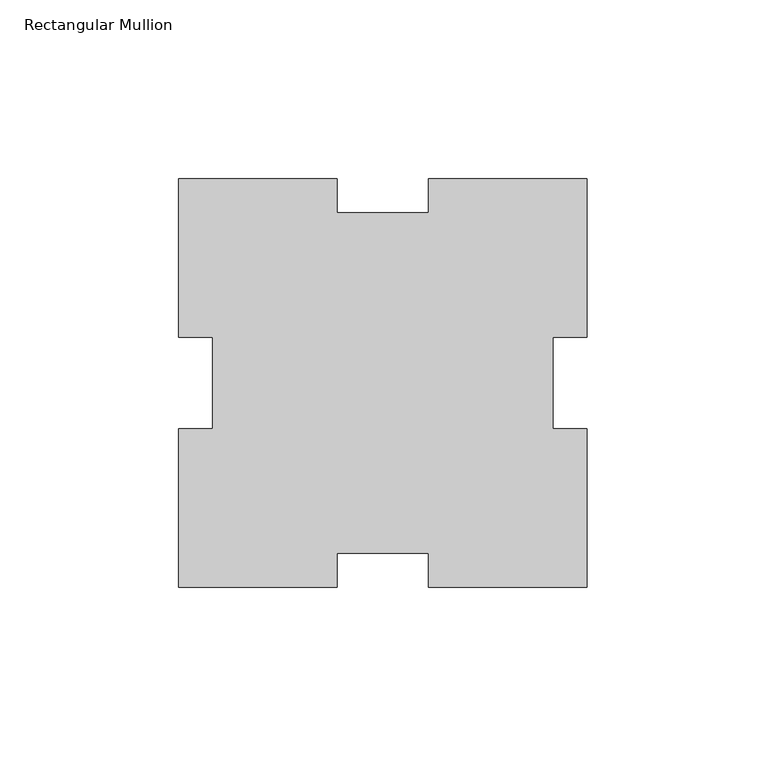
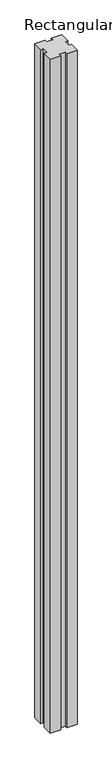
"""IFC4 building model written with IfcOpenShell, lengths in millimetres: member geometry, Rectangular Mullion."""

from ifc_helpers import new_model, si_unit, frame, origin, place, context, project, spatial, polyline, outline, extrude, source, transform, mapped, element, save


def rectangular_mullion_6a25f405(model_context):
    return source(origin(), model_context, "Body", "SweptSolid", [
        extrude(outline(polyline([(-69.8938492, -63.4792345), (-114.3, -63.4792345), (-114.3, -19.0730837), (-104.775, -19.0730837), (-104.775, 6.4146147), (-114.3, 6.4146147), (-114.3, 50.8207655), (-69.8938492, 50.8207655), (-69.8938492, 41.2957655), (-44.4061508, 41.2957655), (-44.4061508, 50.8207655), (0.0, 50.8207655), (0.0, 6.4146147), (-9.525, 6.4146147), (-9.525, -19.0730837), (0.0, -19.0730837), (0.0, -63.4792345), (-44.4251763, -63.4792345), (-44.4251763, -53.9542345), (-69.8938492, -53.9542345), (-69.8938492, -63.4792345)])), frame((0.0, 0.0, -3048.0), z_axis=(0.0, 0.0, 1.0), x_axis=(1.0, 0.0, 0.0)), (0.0, 0.0, 1.0), 3048.0),
    ])


if __name__ == "__main__":
    model = new_model("IFC4")
    model_context = context("Model", 3, world=origin())
    ifc_project = project(units=[si_unit("LENGTHUNIT", "METRE", prefix="MILLI")], contexts=[model_context])
    site = spatial("IfcSite", under=ifc_project)
    building = spatial("IfcBuilding", under=site)
    placement = place(None, origin())
    rectangular_mullion_shape = rectangular_mullion_6a25f405(model_context)
    element("IfcMember", 1, ObjectType="Rectangular Mullion", at=placement, inside=building, context=model_context, shape_type="MappedRepresentation", body=[
        mapped(rectangular_mullion_shape, transform((0.0, 0.0, 0.0), x_axis=(1.0, 0.0, 0.0), y_axis=(0.0, 1.0, 0.0), z_axis=(0.0, 0.0, 1.0))),
    ])
    save(model, "model.ifc")
